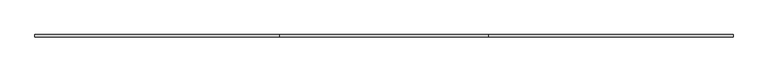
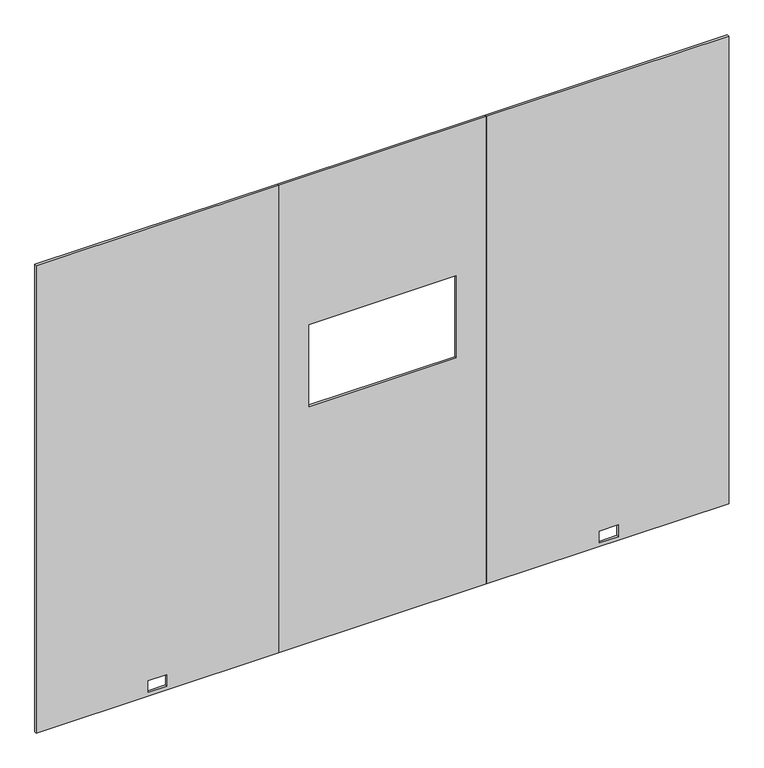
"""IFC4 building model written with IfcOpenShell, lengths in millimetres: furniture geometry."""

from ifc_helpers import new_model, si_unit, frame, origin, place, context, project, spatial, polyline, outline, extrude, source, transform, mapped, element, save


def furniture_707e803e(model_context):
    return source(origin(), model_context, "Body", "SweptSolid", [
        extrude(outline(polyline([(12.7, 0.0), (12.7, 1066.8), (2186.3010468, 1066.8), (2186.3010468, 0.0), (12.7, 0.0)]), holes=[polyline([(29.6164, 492.2774), (83.9724, 492.2774), (83.9724, 574.5226), (29.6164, 574.5226), (29.6164, 492.2774)])]), frame((0.0, -4.7752, 0.0), z_axis=(0.0, 1.0, 0.0), x_axis=(0.0, 0.0, 1.0)), (0.0, 0.0, 1.0), 9.525),
        extrude(outline(polyline([(12.7, 1981.2), (12.7, 3048.0), (2186.3010468, 3048.0), (2186.3010468, 1981.2), (12.7, 1981.2)]), holes=[polyline([(83.9724, 2479.7631299), (83.9724, 2562.0083299), (29.6164, 2562.0083299), (29.6164, 2479.7631299), (83.9724, 2479.7631299)])]), frame((0.0, -4.7752, 0.0), z_axis=(0.0, 1.0, 0.0), x_axis=(0.0, 0.0, 1.0)), (0.0, 0.0, 1.0), 9.525),
        extrude(outline(polyline([(12.7, 1066.8), (12.7, 1981.2), (2186.3010468, 1981.2), (2186.3010468, 1066.8), (12.7, 1066.8)]), holes=[polyline([(1491.9706, 1200.15), (1491.9706, 1847.85), (1110.9706, 1847.85), (1110.9706, 1200.15), (1491.9706, 1200.15)])]), frame((0.0, -4.7752, 0.0), z_axis=(0.0, 1.0, 0.0), x_axis=(0.0, 0.0, 1.0)), (0.0, 0.0, 1.0), 9.525),
    ])


if __name__ == "__main__":
    model = new_model("IFC4")
    model_context = context("Model", 3, world=origin())
    ifc_project = project(units=[si_unit("LENGTHUNIT", "METRE", prefix="MILLI")], contexts=[model_context])
    site = spatial("IfcSite", under=ifc_project)
    building = spatial("IfcBuilding", under=site)
    placement = place(None, origin())
    furniture_shape = furniture_707e803e(model_context)
    element("IfcFurniture", 1, at=placement, inside=building, context=model_context, shape_type="MappedRepresentation", body=[
        mapped(furniture_shape, transform((0.0, 0.0, 0.0), x_axis=(1.0, 0.0, 0.0), y_axis=(0.0, 1.0, 0.0), z_axis=(0.0, 0.0, 1.0))),
    ])
    save(model, "model.ifc")
